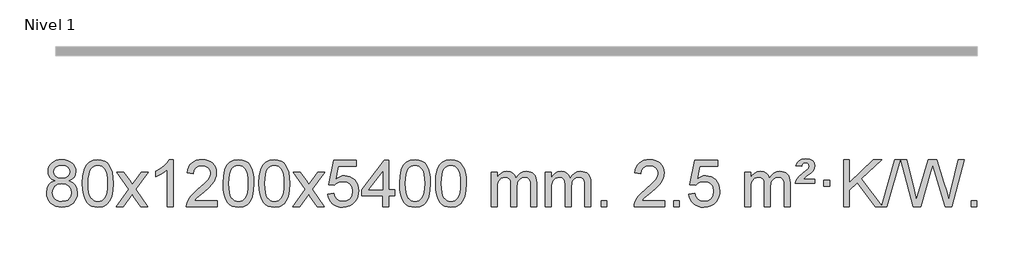
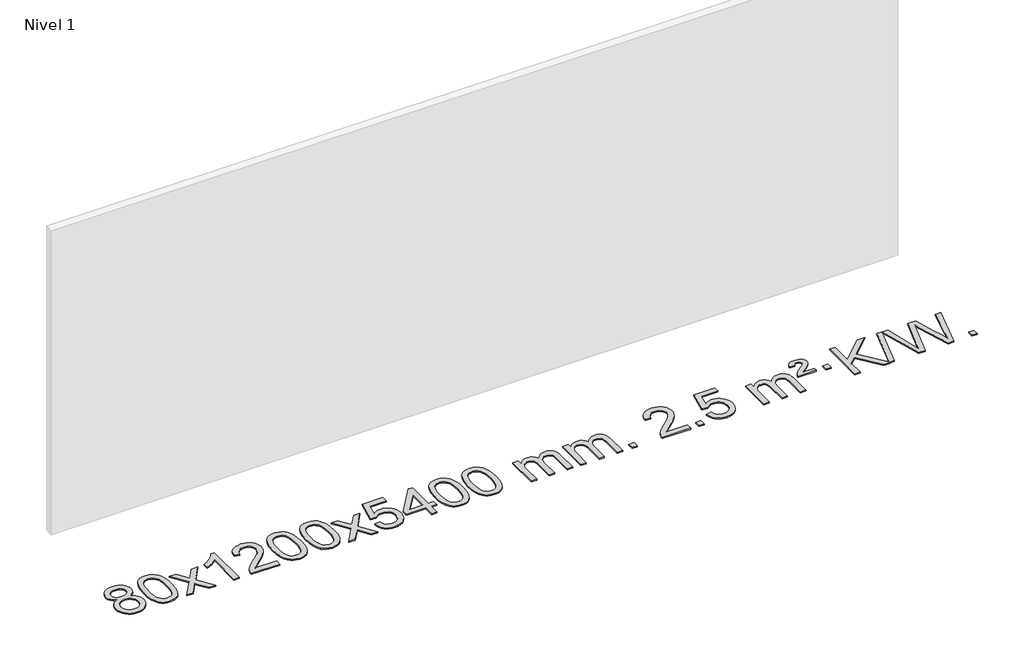
# One storey, part 7 of 9: 1 proxy.
"""IFC4 building model written with IfcOpenShell, lengths in millimetres."""

from ifc_helpers import new_model, si_unit, origin, origin_with_axes, place, context, project, spatial, polyline, outline, extrude, element, save

model = new_model("IFC4")

# Units and contexts
model_context = context("Model", 3, world=origin())
ifc_project = project(units=[si_unit("LENGTHUNIT", "METRE", prefix="MILLI")], contexts=[model_context])

# Site, building, storey
site = spatial("IfcSite", under=ifc_project)
building = spatial("IfcBuilding", under=site)
storey = spatial("IfcBuildingStorey", under=building, Name="Nivel 1", Elevation=0.0)

# Proxy
placement = place(None, origin())
element("IfcBuildingElementProxy", 1, Name="Texto de modelo 1", ObjectType="Texto de modelo 1", at=placement, inside=storey, context=model_context, shape_type="SweptSolid", body=[
    extrude(outline(polyline([(-236.8094438, -6199.2616447), (-263.7016177, -6186.0178929), (-282.573964, -6168.0652515), (-293.7207885, -6145.7716026), (-297.4363966, -6119.5048281), (-295.4130456, -6099.0199324), (-289.3429927, -6080.2395565), (-279.2262378, -6063.1637006), (-265.062781, -6047.7923645), (-247.533204, -6035.088173), (-227.3180883, -6026.0137504), (-204.4174341, -6020.5690969), (-178.8312414, -6018.7542124), (-153.1224213, -6020.6120165), (-130.0500888, -6026.1854287), (-109.614244, -6035.4744491), (-91.8148868, -6048.4790776), (-77.3939126, -6064.1508506), (-67.0932167, -6081.4413044), (-60.9127992, -6100.3504389), (-58.85266, -6120.8782543), (-62.5192172, -6146.2989001), (-73.5188889, -6168.2124043), (-91.9743023, -6186.0546811), (-118.0080848, -6199.2616447), (-87.0937345, -6215.1909351), (-64.5916191, -6238.6495436), (-50.8696207, -6268.5092989), (-46.2956212, -6303.6420295), (-48.5642269, -6328.6947933), (-55.3700438, -6351.6628926), (-66.713072, -6372.5463272), (-82.5933114, -6391.3450971), (-102.1768963, -6406.88198), (-124.6299607, -6417.9797536), (-149.9525047, -6424.6384177), (-178.1445283, -6426.8579724), (-206.3365519, -6424.6292206), (-231.6590959, -6417.9429654), (-254.1121603, -6406.7992066), (-273.6957452, -6391.1979443), (-289.5759846, -6372.26735), (-300.9190128, -6351.135595), (-307.7248297, -6327.8026795), (-309.9934354, -6302.2686033), (-305.2354949, -6265.7747094), (-290.9616735, -6235.7555386), (-267.9077351, -6213.2411605), (-236.8094438, -6199.2616447)]), holes=[polyline([(-247.2082415, -6120.9763561), (-242.7568694, -6142.902123), (-229.402753, -6160.413306), (-207.5382997, -6171.8912243), (-177.5559171, -6175.717197), (-148.2725103, -6171.9157497), (-126.7391508, -6160.5114079), (-113.495399, -6143.5888361), (-109.0808151, -6123.232699), (-113.6425518, -6102.1040098), (-127.327762, -6084.629615), (-149.1554271, -6072.8941794), (-178.1445283, -6068.9823675), (-207.3175705, -6072.8083402), (-229.1084474, -6084.2862585), (-242.683293, -6101.1107284), (-247.2082415, -6120.9763561)]), polyline([(-259.7652803, -6300.5027698), (-257.6683529, -6319.7184726), (-251.3775708, -6338.3210389), (-239.7647625, -6354.5446349), (-221.7017565, -6366.623427), (-200.0702952, -6374.1282197), (-177.7521208, -6376.6298173), (-143.5636208, -6371.3691048), (-129.6699441, -6364.7932141), (-117.909983, -6355.5869672), (-101.870328, -6331.6869002), (-96.5237763, -6302.0723996), (-102.0420062, -6271.9551269), (-118.596696, -6247.5277625), (-130.6754882, -6238.0854579), (-144.838945, -6231.3409547), (-179.4198526, -6225.9453521), (-213.130106, -6231.2673783), (-226.8674329, -6237.919911), (-238.5262264, -6247.2334569), (-254.4555168, -6271.1948375), (-259.7652803, -6300.5027698)])]), origin_with_axes(), (0.0, 0.0, 1.0), 10.0),
    extrude(outline(polyline([(-2.3459855, -6222.9041943), (1.3450971, -6158.5861588), (12.4183452, -6107.2911459), (30.763394, -6068.2343407), (42.621457, -6053.0009605), (56.269879, -6040.6309284), (71.7546453, -6031.0598651), (89.1217412, -6024.2233914), (129.5029215, -6018.7542124), (160.4540601, -6021.991574), (188.167837, -6031.7036586), (211.3444027, -6047.5103217), (228.6839074, -6069.0314184), (241.7805065, -6096.0830078), (252.2283551, -6128.4811488), (259.0709602, -6169.6226186), (261.3518286, -6222.9041943), (257.6975341, -6286.8543477), (246.7346507, -6338.0267333), (228.4999664, -6377.1203266), (216.6694946, -6392.3996922), (203.0302696, -6404.8341036), (187.5271092, -6414.4695462), (170.1048311, -6421.3520052), (129.5029215, -6426.8579724), (101.8381955, -6424.4667394), (77.3127291, -6417.2930405), (55.9265225, -6405.3368757), (37.6795755, -6388.5982449), (20.1683926, -6358.3399508), (7.6604047, -6320.6381776), (0.155612, -6275.4929255), (-2.3459855, -6222.9041943)]), holes=[polyline([(47.8821695, -6222.8060924), (49.3536975, -6266.4706195), (53.7682815, -6301.8148822), (61.1259214, -6328.8388804), (71.4266172, -6347.5426142), (83.8855541, -6360.2682656), (97.7179171, -6369.3580165), (112.9237063, -6374.8118671), (129.5029215, -6376.6298173), (146.0821368, -6374.8057357), (161.2879259, -6369.3334911), (175.1202889, -6360.2130833), (187.5792258, -6347.4445124), (197.8799217, -6328.7101217), (205.2375616, -6301.6922549), (209.6521455, -6266.3909118), (211.1236735, -6222.8060924), (209.7011965, -6180.2973278), (205.4337653, -6145.5753989), (198.3213801, -6118.6403055), (188.3640408, -6099.4920476), (176.1135703, -6086.1440625), (162.1217918, -6076.6097875), (146.3887051, -6070.8892225), (128.9143103, -6068.9823675), (112.4209342, -6070.6623619), (97.4726625, -6075.7023452), (84.0694951, -6084.1023175), (72.2114321, -6095.8622786), (61.5673797, -6116.708925), (53.9644852, -6144.8151094), (49.4027484, -6180.1808319), (47.8821695, -6222.8060924)])]), origin_with_axes(), (0.0, 0.0, 1.0), 10.0),
    extrude(outline(polyline([(286.4659061, -6420.579453), (393.7893469, -6272.2494325), (292.7444255, -6125.4890419), (353.1751746, -6125.4890419), (401.9318017, -6196.122385), (424.6914345, -6229.4770192), (444.4099094, -6202.2047007), (499.9355652, -6125.4890419), (560.3663143, -6125.4890419), (454.2200959, -6272.2494325), (556.4422397, -6420.579453), (496.0114906, -6420.579453), (434.501621, -6331.4048574), (423.2199065, -6315.1199477), (346.8966552, -6420.579453), (286.4659061, -6420.579453)])), origin_with_axes(), (0.0, 0.0, 1.0), 10.0),
    extrude(outline(polyline([(776.1904181, -6420.579453), (725.962263, -6420.579453), (725.962263, -6107.4382987), (704.9929893, -6124.3976587), (678.3828583, -6141.3324932), (625.5059529, -6166.6918254), (625.5059529, -6119.2105225), (664.9551655, -6097.7507395), (699.1314029, -6072.219729), (726.0726276, -6045.0700378), (743.8168025, -6018.7542124), (776.1904181, -6018.7542124), (776.1904181, -6420.579453)])), origin_with_axes(), (0.0, 0.0, 1.0), 10.0),
    extrude(outline(polyline([(1152.9015812, -6370.3512979), (1152.9015812, -6420.579453), (889.203767, -6420.579453), (890.307413, -6402.8965918), (894.5993696, -6385.9494945), (906.9847301, -6358.8856424), (925.1090498, -6332.6311307), (951.3267733, -6305.1503456), (987.9923455, -6274.4076736), (1042.1936261, -6226.2641831), (1074.7143945, -6190.7267824), (1090.9747787, -6161.884834), (1096.3949067, -6133.8277005), (1091.281347, -6108.6768347), (1075.9406678, -6087.7688747), (1052.3594319, -6073.6789943), (1022.5242021, -6068.9823675), (991.1929188, -6073.5686297), (966.8513935, -6087.3274163), (951.1428323, -6109.1796068), (945.7104415, -6138.0460807), (895.4822864, -6131.7675613), (899.8018342, -6105.838012), (907.6591805, -6083.1826125), (919.0543253, -6063.8013627), (933.9872686, -6047.6942627), (952.1146539, -6035.0329907), (973.0931247, -6025.989225), (996.9226809, -6020.5629655), (1023.6033226, -6018.7542124), (1050.5230876, -6020.7653006), (1074.4814025, -6026.7985654), (1095.4782674, -6036.8540066), (1113.5136822, -6050.9316242), (1127.9990358, -6067.9890861), (1138.3457169, -6086.9840598), (1144.5537256, -6107.9165453), (1146.6230618, -6130.7865427), (1144.3912444, -6154.8092369), (1137.695792, -6178.4149983), (1125.8132036, -6202.4254299), (1108.0199778, -6227.6621347), (1079.6562759, -6257.7916701), (1036.0622595, -6296.4805933), (978.2802608, -6344.795762), (955.6187299, -6370.3512979), (1152.9015812, -6370.3512979)])), origin_with_axes(), (0.0, 0.0, 1.0), 10.0),
    extrude(outline(polyline([(1203.1297362, -6222.9041943), (1206.8208189, -6158.5861588), (1217.894067, -6107.2911459), (1236.2391158, -6068.2343407), (1248.0971788, -6053.0009605), (1261.7456008, -6040.6309284), (1277.2303671, -6031.0598651), (1294.597463, -6024.2233914), (1334.9786433, -6018.7542124), (1365.9297818, -6021.991574), (1393.6435588, -6031.7036586), (1416.8201245, -6047.5103217), (1434.1596292, -6069.0314184), (1447.2562282, -6096.0830078), (1457.7040769, -6128.4811488), (1464.546682, -6169.6226186), (1466.8275504, -6222.9041943), (1463.1732559, -6286.8543477), (1452.2103725, -6338.0267333), (1433.9756882, -6377.1203266), (1422.1452164, -6392.3996922), (1408.5059914, -6404.8341036), (1393.002831, -6414.4695462), (1375.5805529, -6421.3520052), (1334.9786433, -6426.8579724), (1307.3139173, -6424.4667394), (1282.7884509, -6417.2930405), (1261.4022443, -6405.3368757), (1243.1552973, -6388.5982449), (1225.6441144, -6358.3399508), (1213.1361265, -6320.6381776), (1205.6313338, -6275.4929255), (1203.1297362, -6222.9041943)]), holes=[polyline([(1253.3578913, -6222.8060924), (1254.8294193, -6266.4706195), (1259.2440032, -6301.8148822), (1266.6016432, -6328.8388804), (1276.902339, -6347.5426142), (1289.3612759, -6360.2682656), (1303.1936389, -6369.3580165), (1318.3994281, -6374.8118671), (1334.9786433, -6376.6298173), (1351.5578586, -6374.8057357), (1366.7636477, -6369.3334911), (1380.5960107, -6360.2130833), (1393.0549476, -6347.4445124), (1403.3556435, -6328.7101217), (1410.7132834, -6301.6922549), (1415.1278673, -6266.3909118), (1416.5993953, -6222.8060924), (1415.1769183, -6180.2973278), (1410.9094871, -6145.5753989), (1403.7971019, -6118.6403055), (1393.8397625, -6099.4920476), (1381.5892921, -6086.1440625), (1367.5975136, -6076.6097875), (1351.8644269, -6070.8892225), (1334.3900321, -6068.9823675), (1317.896656, -6070.6623619), (1302.9483843, -6075.7023452), (1289.5452169, -6084.1023175), (1277.6871539, -6095.8622786), (1267.0431015, -6116.708925), (1259.440207, -6144.8151094), (1254.8784702, -6180.1808319), (1253.3578913, -6222.8060924)])]), origin_with_axes(), (0.0, 0.0, 1.0), 10.0),
    extrude(outline(polyline([(1510.7771861, -6222.9041943), (1514.4682688, -6158.5861588), (1525.5415168, -6107.2911459), (1543.8865656, -6068.2343407), (1555.7446286, -6053.0009605), (1569.3930506, -6040.6309284), (1584.877817, -6031.0598651), (1602.2449128, -6024.2233914), (1642.6260932, -6018.7542124), (1673.5772317, -6021.991574), (1701.2910087, -6031.7036586), (1724.4675743, -6047.5103217), (1741.8070791, -6069.0314184), (1754.9036781, -6096.0830078), (1765.3515267, -6128.4811488), (1772.1941319, -6169.6226186), (1774.4750002, -6222.9041943), (1770.8207057, -6286.8543477), (1759.8578223, -6338.0267333), (1741.6231381, -6377.1203266), (1729.7926662, -6392.3996922), (1716.1534413, -6404.8341036), (1700.6502808, -6414.4695462), (1683.2280027, -6421.3520052), (1642.6260932, -6426.8579724), (1614.9613671, -6424.4667394), (1590.4359008, -6417.2930405), (1569.0496941, -6405.3368757), (1550.8027472, -6388.5982449), (1533.2915642, -6358.3399508), (1520.7835764, -6320.6381776), (1513.2787836, -6275.4929255), (1510.7771861, -6222.9041943)]), holes=[polyline([(1561.0053412, -6222.8060924), (1562.4768691, -6266.4706195), (1566.8914531, -6301.8148822), (1574.249093, -6328.8388804), (1584.5497888, -6347.5426142), (1597.0087258, -6360.2682656), (1610.8410888, -6369.3580165), (1626.0468779, -6374.8118671), (1642.6260932, -6376.6298173), (1659.2053084, -6374.8057357), (1674.4110975, -6369.3334911), (1688.2434606, -6360.2130833), (1700.7023975, -6347.4445124), (1711.0030933, -6328.7101217), (1718.3607332, -6301.6922549), (1722.7753172, -6266.3909118), (1724.2468452, -6222.8060924), (1722.8243681, -6180.2973278), (1718.556937, -6145.5753989), (1711.4445517, -6118.6403055), (1701.4872124, -6099.4920476), (1689.2367419, -6086.1440625), (1675.2449634, -6076.6097875), (1659.5118767, -6070.8892225), (1642.037482, -6068.9823675), (1625.5441058, -6070.6623619), (1610.5958341, -6075.7023452), (1597.1926667, -6084.1023175), (1585.3346038, -6095.8622786), (1574.6905514, -6116.708925), (1567.0876568, -6144.8151094), (1562.5259201, -6180.1808319), (1561.0053412, -6222.8060924)])]), origin_with_axes(), (0.0, 0.0, 1.0), 10.0),
    extrude(outline(polyline([(1799.5890778, -6420.579453), (1906.9125185, -6272.2494325), (1805.8675971, -6125.4890419), (1866.2983462, -6125.4890419), (1915.0549733, -6196.122385), (1937.8146061, -6229.4770192), (1957.533081, -6202.2047007), (2013.0587368, -6125.4890419), (2073.4894859, -6125.4890419), (1967.3432676, -6272.2494325), (2069.5654113, -6420.579453), (2009.1346622, -6420.579453), (1947.6247926, -6331.4048574), (1936.3430781, -6315.1199477), (1860.0198268, -6420.579453), (1799.5890778, -6420.579453)])), origin_with_axes(), (0.0, 0.0, 1.0), 10.0),
    extrude(outline(polyline([(2100.9580082, -6313.8446235), (2151.1861633, -6307.5661041), (2160.4077386, -6337.7201649), (2176.4964446, -6359.3148381), (2199.3787047, -6372.3010725), (2228.9809425, -6376.6298173), (2248.1108063, -6375.1245668), (2264.9843271, -6370.6088153), (2279.6015051, -6363.0825628), (2291.9623401, -6352.5458094), (2301.7909207, -6339.519721), (2308.8113355, -6324.5254641), (2314.4276673, -6288.6324441), (2309.1669547, -6254.8363514), (2302.5910641, -6240.9181493), (2293.3848172, -6228.9865099), (2281.5175571, -6219.4154467), (2266.9586272, -6212.5789729), (2229.7657575, -6207.1097939), (2205.3997066, -6209.2925604), (2185.668969, -6215.8408599), (2169.9113568, -6225.8717757), (2157.4646827, -6238.5023908), (2107.2365276, -6232.2238715), (2151.1861633, -6025.0327318), (2345.8202642, -6025.0327318), (2345.8202642, -6075.2608869), (2191.8003356, -6075.2608869), (2170.316027, -6185.919791), (2188.0418078, -6173.2155994), (2206.1967843, -6164.1411769), (2224.7809564, -6158.6965234), (2243.7943242, -6156.8816388), (2268.2554112, -6159.1318504), (2290.7238041, -6165.882485), (2311.1995028, -6177.1335427), (2329.6825073, -6192.8850234), (2344.9833327, -6212.1743027), (2355.9124936, -6234.038756), (2362.4699902, -6258.4783832), (2364.6558224, -6285.4931844), (2362.6876537, -6311.5147042), (2356.7831477, -6335.7213394), (2346.9423043, -6358.1130902), (2333.1651236, -6378.6899565), (2312.2939517, -6399.7634634), (2287.9401636, -6414.8159684), (2260.1037593, -6423.8474714), (2228.7847388, -6426.8579724), (2202.8643866, -6424.9235262), (2179.4517632, -6419.1201877), (2158.5468689, -6409.447957), (2140.1497034, -6395.9068338), (2124.8427467, -6379.1712688), (2113.2084787, -6359.915712), (2105.2468991, -6338.1401636), (2100.9580082, -6313.8446235)])), origin_with_axes(), (0.0, 0.0, 1.0), 10.0),
    extrude(outline(polyline([(2571.846962, -6420.579453), (2571.846962, -6326.4016622), (2389.7698999, -6326.4016622), (2389.7698999, -6276.1735072), (2584.4040008, -6025.0327318), (2622.0751171, -6025.0327318), (2622.0751171, -6276.1735072), (2672.3032722, -6276.1735072), (2672.3032722, -6326.4016622), (2622.0751171, -6326.4016622), (2622.0751171, -6420.579453), (2571.846962, -6420.579453)]), holes=[polyline([(2571.846962, -6276.1735072), (2571.846962, -6120.9763561), (2451.5740751, -6276.1735072), (2571.846962, -6276.1735072)])]), origin_with_axes(), (0.0, 0.0, 1.0), 10.0),
    extrude(outline(polyline([(2716.2529079, -6222.9041943), (2719.9439906, -6158.5861588), (2731.0172386, -6107.2911459), (2749.3622874, -6068.2343407), (2761.2203504, -6053.0009605), (2774.8687724, -6040.6309284), (2790.3535388, -6031.0598651), (2807.7206346, -6024.2233914), (2848.1018149, -6018.7542124), (2879.0529535, -6021.991574), (2906.7667304, -6031.7036586), (2929.9432961, -6047.5103217), (2947.2828008, -6069.0314184), (2960.3793999, -6096.0830078), (2970.8272485, -6128.4811488), (2977.6698537, -6169.6226186), (2979.950722, -6222.9041943), (2976.2964275, -6286.8543477), (2965.3335441, -6338.0267333), (2947.0988599, -6377.1203266), (2935.268388, -6392.3996922), (2921.6291631, -6404.8341036), (2906.1260026, -6414.4695462), (2888.7037245, -6421.3520052), (2848.1018149, -6426.8579724), (2820.4370889, -6424.4667394), (2795.9116226, -6417.2930405), (2774.5254159, -6405.3368757), (2756.278469, -6388.5982449), (2738.767286, -6358.3399508), (2726.2592981, -6320.6381776), (2718.7545054, -6275.4929255), (2716.2529079, -6222.9041943)]), holes=[polyline([(2766.481063, -6222.8060924), (2767.9525909, -6266.4706195), (2772.3671749, -6301.8148822), (2779.7248148, -6328.8388804), (2790.0255106, -6347.5426142), (2802.4844475, -6360.2682656), (2816.3168106, -6369.3580165), (2831.5225997, -6374.8118671), (2848.1018149, -6376.6298173), (2864.6810302, -6374.8057357), (2879.8868193, -6369.3334911), (2893.7191824, -6360.2130833), (2906.1781193, -6347.4445124), (2916.4788151, -6328.7101217), (2923.836455, -6301.6922549), (2928.251039, -6266.3909118), (2929.7225669, -6222.8060924), (2928.3000899, -6180.2973278), (2924.0326588, -6145.5753989), (2916.9202735, -6118.6403055), (2906.9629342, -6099.4920476), (2894.7124637, -6086.1440625), (2880.7206852, -6076.6097875), (2864.9875985, -6070.8892225), (2847.5132038, -6068.9823675), (2831.0198276, -6070.6623619), (2816.0715559, -6075.7023452), (2802.6683885, -6084.1023175), (2790.8103256, -6095.8622786), (2780.1662732, -6116.708925), (2772.5633786, -6144.8151094), (2768.0016419, -6180.1808319), (2766.481063, -6222.8060924)])]), origin_with_axes(), (0.0, 0.0, 1.0), 10.0),
    extrude(outline(polyline([(3023.9003577, -6222.9041943), (3027.5914404, -6158.5861588), (3038.6646885, -6107.2911459), (3057.0097373, -6068.2343407), (3068.8678003, -6053.0009605), (3082.5162223, -6040.6309284), (3098.0009886, -6031.0598651), (3115.3680844, -6024.2233914), (3155.7492648, -6018.7542124), (3186.7004033, -6021.991574), (3214.4141803, -6031.7036586), (3237.590746, -6047.5103217), (3254.9302507, -6069.0314184), (3268.0268497, -6096.0830078), (3278.4746984, -6128.4811488), (3285.3173035, -6169.6226186), (3287.5981719, -6222.9041943), (3283.9438774, -6286.8543477), (3272.9809939, -6338.0267333), (3254.7463097, -6377.1203266), (3242.9158379, -6392.3996922), (3229.2766129, -6404.8341036), (3213.7734525, -6414.4695462), (3196.3511743, -6421.3520052), (3155.7492648, -6426.8579724), (3128.0845387, -6424.4667394), (3103.5590724, -6417.2930405), (3082.1728657, -6405.3368757), (3063.9259188, -6388.5982449), (3046.4147358, -6358.3399508), (3033.906748, -6320.6381776), (3026.4019553, -6275.4929255), (3023.9003577, -6222.9041943)]), holes=[polyline([(3074.1285128, -6222.8060924), (3075.6000408, -6266.4706195), (3080.0146247, -6301.8148822), (3087.3722646, -6328.8388804), (3097.6729605, -6347.5426142), (3110.1318974, -6360.2682656), (3123.9642604, -6369.3580165), (3139.1700495, -6374.8118671), (3155.7492648, -6376.6298173), (3172.32848, -6374.8057357), (3187.5342692, -6369.3334911), (3201.3666322, -6360.2130833), (3213.8255691, -6347.4445124), (3224.126265, -6328.7101217), (3231.4839049, -6301.6922549), (3235.8984888, -6266.3909118), (3237.3700168, -6222.8060924), (3235.9475397, -6180.2973278), (3231.6801086, -6145.5753989), (3224.5677233, -6118.6403055), (3214.610384, -6099.4920476), (3202.3599136, -6086.1440625), (3188.368135, -6076.6097875), (3172.6350484, -6070.8892225), (3155.1606536, -6068.9823675), (3138.6672775, -6070.6623619), (3123.7190057, -6075.7023452), (3110.3158384, -6084.1023175), (3098.4577754, -6095.8622786), (3087.813723, -6116.708925), (3080.2108284, -6144.8151094), (3075.6490917, -6180.1808319), (3074.1285128, -6222.8060924)])]), origin_with_axes(), (0.0, 0.0, 1.0), 10.0),
    extrude(outline(polyline([(3501.0678309, -6420.579453), (3501.0678309, -6125.4890419), (3551.295986, -6125.4890419), (3551.295986, -6174.0494653), (3566.4036733, -6151.7435537), (3585.8278426, -6134.2691589), (3608.9063064, -6122.9751816), (3634.9768772, -6119.2105225), (3662.9113833, -6123.048758), (3685.3031341, -6134.5634645), (3702.0295022, -6152.9943524), (3712.9678601, -6177.5811324), (3731.2761208, -6152.0439906), (3752.1595554, -6133.803175), (3775.6181639, -6122.8586857), (3801.6519464, -6119.2105225), (3821.7597632, -6120.7280358), (3839.4089019, -6125.2805755), (3854.5993626, -6132.8681416), (3867.3311453, -6143.4907342), (3877.3957836, -6157.2709806), (3884.5848109, -6174.3315082), (3888.8982273, -6194.6723168), (3890.3360328, -6218.2934066), (3890.3360328, -6420.579453), (3840.1078777, -6420.579453), (3840.1078777, -6239.875817), (3838.942918, -6214.8230531), (3835.4480391, -6197.9372695), (3828.8997396, -6186.3735121), (3818.5745182, -6177.2868268), (3805.2939782, -6171.4007149), (3789.8797226, -6169.4386776), (3762.6687177, -6174.4663982), (3740.4854334, -6189.54956), (3731.8800604, -6201.1194488), (3725.7333654, -6215.7182326), (3720.8160094, -6254.0024856), (3720.8160094, -6420.579453), (3670.5878543, -6420.579453), (3670.5878543, -6234.2840106), (3667.6815865, -6205.8835206), (3658.9627833, -6185.6254854), (3643.6221041, -6173.4853796), (3620.8502086, -6169.4386776), (3601.4996156, -6172.1364789), (3583.6696016, -6180.2298828), (3568.9543218, -6193.5226856), (3558.9479315, -6211.8186835), (3553.2089724, -6237.2025411), (3551.295986, -6271.7589232), (3551.295986, -6420.579453), (3501.0678309, -6420.579453)])), origin_with_axes(), (0.0, 0.0, 1.0), 10.0),
    extrude(outline(polyline([(3965.6782654, -6420.579453), (3965.6782654, -6125.4890419), (4015.9064204, -6125.4890419), (4015.9064204, -6174.0494653), (4031.0141077, -6151.7435537), (4050.4382771, -6134.2691589), (4073.5167409, -6122.9751816), (4099.5873116, -6119.2105225), (4127.5218178, -6123.048758), (4149.9135685, -6134.5634645), (4166.6399366, -6152.9943524), (4177.5782946, -6177.5811324), (4195.8865552, -6152.0439906), (4216.7699898, -6133.803175), (4240.2285984, -6122.8586857), (4266.2623809, -6119.2105225), (4286.3701976, -6120.7280358), (4304.0193363, -6125.2805755), (4319.209797, -6132.8681416), (4331.9415798, -6143.4907342), (4342.006218, -6157.2709806), (4349.1952453, -6174.3315082), (4353.5086617, -6194.6723168), (4354.9464672, -6218.2934066), (4354.9464672, -6420.579453), (4304.7183121, -6420.579453), (4304.7183121, -6239.875817), (4303.5533525, -6214.8230531), (4300.0584735, -6197.9372695), (4293.510174, -6186.3735121), (4283.1849527, -6177.2868268), (4269.9044126, -6171.4007149), (4254.490157, -6169.4386776), (4227.2791521, -6174.4663982), (4205.0958678, -6189.54956), (4196.4904948, -6201.1194488), (4190.3437998, -6215.7182326), (4185.4264438, -6254.0024856), (4185.4264438, -6420.579453), (4135.1982887, -6420.579453), (4135.1982887, -6234.2840106), (4132.292021, -6205.8835206), (4123.5732177, -6185.6254854), (4108.2325385, -6173.4853796), (4085.460643, -6169.4386776), (4066.11005, -6172.1364789), (4048.280036, -6180.2298828), (4033.5647562, -6193.5226856), (4023.5583659, -6211.8186835), (4017.8194068, -6237.2025411), (4015.9064204, -6271.7589232), (4015.9064204, -6420.579453), (3965.6782654, -6420.579453)])), origin_with_axes(), (0.0, 0.0, 1.0), 10.0),
    extrude(outline(polyline([(4442.8457386, -6420.579453), (4442.8457386, -6370.3512979), (4493.0738936, -6370.3512979), (4493.0738936, -6420.579453), (4442.8457386, -6420.579453)])), origin_with_axes(), (0.0, 0.0, 1.0), 10.0),
    extrude(outline(polyline([(4989.076925, -6370.3512979), (4989.076925, -6420.579453), (4725.3791109, -6420.579453), (4726.4827569, -6402.8965918), (4730.7747135, -6385.9494945), (4743.160074, -6358.8856424), (4761.2843936, -6332.6311307), (4787.5021171, -6305.1503456), (4824.1676893, -6274.4076736), (4878.3689699, -6226.2641831), (4910.8897383, -6190.7267824), (4927.1501225, -6161.884834), (4932.5702506, -6133.8277005), (4927.4566908, -6108.6768347), (4912.1160116, -6087.7688747), (4888.5347757, -6073.6789943), (4858.6995459, -6068.9823675), (4827.3682627, -6073.5686297), (4803.0267373, -6087.3274163), (4787.3181761, -6109.1796068), (4781.8857853, -6138.0460807), (4731.6576303, -6131.7675613), (4735.977178, -6105.838012), (4743.8345243, -6083.1826125), (4755.2296691, -6063.8013627), (4770.1626124, -6047.6942627), (4788.2899977, -6035.0329907), (4809.2684685, -6025.989225), (4833.0980247, -6020.5629655), (4859.7786664, -6018.7542124), (4886.6984314, -6020.7653006), (4910.6567464, -6026.7985654), (4931.6536112, -6036.8540066), (4949.6890261, -6050.9316242), (4964.1743796, -6067.9890861), (4974.5210607, -6086.9840598), (4980.7290694, -6107.9165453), (4982.7984056, -6130.7865427), (4980.5665882, -6154.8092369), (4973.8711359, -6178.4149983), (4961.9885474, -6202.4254299), (4944.1953216, -6227.6621347), (4915.8316198, -6257.7916701), (4872.2376033, -6296.4805933), (4814.4556046, -6344.795762), (4791.7940737, -6370.3512979), (4989.076925, -6370.3512979)])), origin_with_axes(), (0.0, 0.0, 1.0), 10.0),
    extrude(outline(polyline([(5064.4191576, -6420.579453), (5064.4191576, -6370.3512979), (5114.6473127, -6370.3512979), (5114.6473127, -6420.579453), (5064.4191576, -6420.579453)])), origin_with_axes(), (0.0, 0.0, 1.0), 10.0),
    extrude(outline(polyline([(5196.2680647, -6313.8446235), (5246.4962198, -6307.5661041), (5255.7177951, -6337.7201649), (5271.806501, -6359.3148381), (5294.6887611, -6372.3010725), (5324.290999, -6376.6298173), (5343.4208628, -6375.1245668), (5360.2943836, -6370.6088153), (5374.9115616, -6363.0825628), (5387.2723966, -6352.5458094), (5397.1009772, -6339.519721), (5404.121392, -6324.5254641), (5409.7377238, -6288.6324441), (5404.4770112, -6254.8363514), (5397.9011206, -6240.9181493), (5388.6948736, -6228.9865099), (5376.8276136, -6219.4154467), (5362.2686837, -6212.5789729), (5325.0758139, -6207.1097939), (5300.7097631, -6209.2925604), (5280.9790255, -6215.8408599), (5265.2214133, -6225.8717757), (5252.7747392, -6238.5023908), (5202.5465841, -6232.2238715), (5246.4962198, -6025.0327318), (5441.1303207, -6025.0327318), (5441.1303207, -6075.2608869), (5287.110392, -6075.2608869), (5265.6260835, -6185.919791), (5283.3518643, -6173.2155994), (5301.5068408, -6164.1411769), (5320.0910129, -6158.6965234), (5339.1043807, -6156.8816388), (5363.5654677, -6159.1318504), (5386.0338605, -6165.882485), (5406.5095593, -6177.1335427), (5424.9925638, -6192.8850234), (5440.2933891, -6212.1743027), (5451.2225501, -6234.038756), (5457.7800467, -6258.4783832), (5459.9658788, -6285.4931844), (5457.9977102, -6311.5147042), (5452.0932041, -6335.7213394), (5442.2523608, -6358.1130902), (5428.4751801, -6378.6899565), (5407.6040082, -6399.7634634), (5383.2502201, -6414.8159684), (5355.4138158, -6423.8474714), (5324.0947953, -6426.8579724), (5298.174443, -6424.9235262), (5274.7618197, -6419.1201877), (5253.8569254, -6409.447957), (5235.4597599, -6395.9068338), (5220.1528032, -6379.1712688), (5208.5185351, -6359.915712), (5200.5569556, -6338.1401636), (5196.2680647, -6313.8446235)])), origin_with_axes(), (0.0, 0.0, 1.0), 10.0),
    extrude(outline(polyline([(5673.4355379, -6420.579453), (5673.4355379, -6125.4890419), (5723.663693, -6125.4890419), (5723.663693, -6174.0494653), (5738.7713803, -6151.7435537), (5758.1955496, -6134.2691589), (5781.2740134, -6122.9751816), (5807.3445842, -6119.2105225), (5835.2790903, -6123.048758), (5857.6708411, -6134.5634645), (5874.3972091, -6152.9943524), (5885.3355671, -6177.5811324), (5903.6438278, -6152.0439906), (5924.5272623, -6133.803175), (5947.9858709, -6122.8586857), (5974.0196534, -6119.2105225), (5994.1274702, -6120.7280358), (6011.7766089, -6125.2805755), (6026.9670696, -6132.8681416), (6039.6988523, -6143.4907342), (6049.7634906, -6157.2709806), (6056.9525179, -6174.3315082), (6061.2659343, -6194.6723168), (6062.7037397, -6218.2934066), (6062.7037397, -6420.579453), (6012.4755847, -6420.579453), (6012.4755847, -6239.875817), (6011.310625, -6214.8230531), (6007.8157461, -6197.9372695), (6001.2674465, -6186.3735121), (5990.9422252, -6177.2868268), (5977.6616852, -6171.4007149), (5962.2474296, -6169.4386776), (5935.0364247, -6174.4663982), (5912.8531404, -6189.54956), (5904.2477674, -6201.1194488), (5898.1010724, -6215.7182326), (5893.1837164, -6254.0024856), (5893.1837164, -6420.579453), (5842.9555613, -6420.579453), (5842.9555613, -6234.2840106), (5840.0492935, -6205.8835206), (5831.3304902, -6185.6254854), (5815.989811, -6173.4853796), (5793.2179155, -6169.4386776), (5773.8673226, -6172.1364789), (5756.0373086, -6180.2298828), (5741.3220287, -6193.5226856), (5731.3156385, -6211.8186835), (5725.5766794, -6237.2025411), (5723.663693, -6271.7589232), (5723.663693, -6420.579453), (5673.4355379, -6420.579453)])), origin_with_axes(), (0.0, 0.0, 1.0), 10.0),
    extrude(outline(polyline([(6106.6533754, -6219.6668327), (6110.4793482, -6203.8479069), (6118.8180067, -6187.9799302), (6140.3268407, -6162.8413272), (6172.2835234, -6135.1030247), (6216.4293628, -6097.726214), (6223.5662735, -6086.1992448), (6225.9452437, -6074.3779701), (6224.0567828, -6062.2869152), (6218.3914001, -6052.5012541), (6209.022672, -6046.026531), (6196.0241748, -6043.8682899), (6183.5897634, -6045.4869707), (6174.73607, -6050.343013), (6168.3103978, -6059.8098431), (6163.1600499, -6075.2608869), (6112.9318948, -6068.9823675), (6123.7721509, -6043.7701881), (6140.4004171, -6026.2099542), (6164.165594, -6015.9092583), (6196.4165822, -6012.475693), (6232.1992376, -6016.6082341), (6256.9454332, -6029.0058573), (6271.3664074, -6047.3386434), (6276.1733988, -6069.2766731), (6272.0776459, -6092.1834586), (6259.7903873, -6113.8149199), (6239.262572, -6133.6314968), (6202.7932035, -6161.6886303), (6177.1886166, -6188.2742358), (6276.1733988, -6188.2742358), (6276.1733988, -6219.6668327), (6106.6533754, -6219.6668327)])), origin_with_axes(), (0.0, 0.0, 1.0), 10.0),
    extrude(outline(polyline([(6351.5156314, -6244.7809102), (6351.5156314, -6194.5527552), (6401.7437865, -6194.5527552), (6401.7437865, -6244.7809102), (6351.5156314, -6244.7809102)])), origin_with_axes(), (0.0, 0.0, 1.0), 10.0),
    extrude(outline(polyline([(6792.3854144, -6420.579453), (6638.954097, -6217.9009991), (6571.2638099, -6282.4520265), (6571.2638099, -6420.579453), (6521.0356548, -6420.579453), (6521.0356548, -6018.7542124), (6571.2638099, -6018.7542124), (6571.2638099, -6215.4484525), (6777.2777272, -6018.7542124), (6847.5186628, -6018.7542124), (6674.5650741, -6183.9577537), (6849.218684, -6414.5349332), (6960.5320117, -6018.7542124), (7005.8550735, -6018.7542124), (6892.8417246, -6420.579453), (6853.7971822, -6420.579453), (6847.5186628, -6420.579453), (6792.3854144, -6420.579453)])), origin_with_axes(), (0.0, 0.0, 1.0), 10.0),
    extrude(outline(polyline([(7120.3399504, -6420.579453), (7010.7601668, -6018.7542124), (7062.5579517, -6018.7542124), (7126.1279605, -6282.844434), (7145.7483335, -6364.3670841), (7166.7421327, -6292.2622131), (7246.4008474, -6018.7542124), (7321.056367, -6018.7542124), (7378.9364675, -6217.0180823), (7403.731714, -6290.5944814), (7422.0031864, -6364.3670841), (7441.0349483, -6285.1988788), (7505.1935683, -6018.7542124), (7556.9913532, -6018.7542124), (7447.3134677, -6420.579453), (7393.6517474, -6420.579453), (7297.3157155, -6110.5775584), (7283.87576, -6067.3146358), (7268.7680727, -6119.4067263), (7180.9669032, -6420.579453), (7120.3399504, -6420.579453)])), origin_with_axes(), (0.0, 0.0, 1.0), 10.0),
    extrude(outline(polyline([(7613.4980277, -6420.579453), (7613.4980277, -6370.3512979), (7663.7261827, -6370.3512979), (7663.7261827, -6420.579453), (7613.4980277, -6420.579453)])), origin_with_axes(), (0.0, 0.0, 1.0), 10.0),
])

save(model, "model.ifc")
